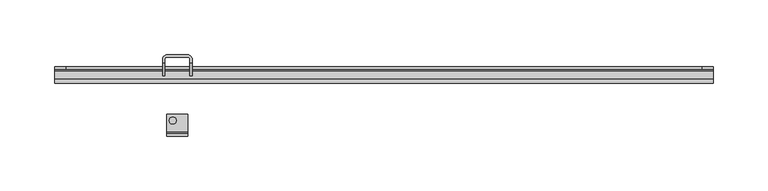
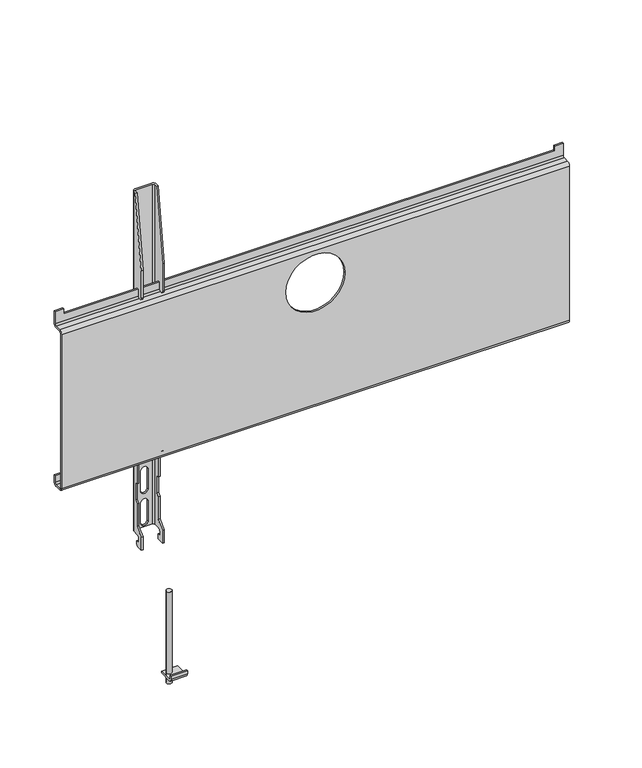
"""IFC4 building model written with IfcOpenShell, lengths in millimetres: furniture geometry."""

from ifc_helpers import new_model, si_unit, point, frame, frame_2d, origin, place, context, project, spatial, polyline, circle_curve, trimmed, segment, composite_curve, outline, extrude, source, transform, mapped, element, save
from ifc_brep_helpers import plane_surface, cylinder_surface, revolved_surface, advanced_brep


def furniture_b7e01955(model_context):
    return source(origin(), model_context, "Body", "SolidModel", [
        advanced_brep(
        [(-188.4240729, 32.963622, 1555.3157744), (-188.4240729, 29.9636247, 1555.3157744), (-186.424086, 29.9636247, 1555.3157744), (-186.424086, 32.9636356, 1555.3157744), (-190.424078, 36.9636277, 1555.3157744), (-209.424072, 36.9636277, 1555.3157744), (-213.4240731, 32.9636266, 1555.3157744), (-213.4240731, 29.9636247, 1555.3157744), (-211.4240862, 29.9636247, 1555.3157744), (-211.4240862, 32.9636266, 1555.3157744), (-209.4240856, 34.9636271, 1555.3157744), (-190.424078, 34.9636271, 1555.3157744), (-213.4240731, 17.9636269, 1117.0157835), (-213.4240731, 24.9636266, 1117.0157835), (-211.4240862, 24.9636266, 1117.0157835), (-211.4240862, 17.9636269, 1117.0157835), (-188.4240729, 17.9636269, 1117.0157835), (-188.4240729, 24.9636266, 1117.0157835), (-186.424086, 24.9636266, 1117.0157835), (-186.424086, 17.9636269, 1117.0157835), (-186.424086, 17.9636269, 1465.3158442), (-186.424086, 17.9636269, 1431.1657942), (-186.424086, 23.4636273, 1431.1657942), (-186.424086, 23.4636273, 1439.4157267), (-186.424086, 26.4636259, 1439.4157267), (-186.424086, 26.4636259, 1289.41577), (-186.424086, 17.9636269, 1274.6933966), (-186.424086, 17.9636269, 1233.165816), (-186.424086, 23.4636273, 1233.165816), (-186.424086, 23.4636273, 1241.4158211), (-186.424086, 26.4636259, 1241.4158211), (-186.424086, 26.4636259, 1194.9158251), (-186.424086, 29.4636267, 1194.9158251), (-186.424086, 29.4636267, 1172.8389023), (-186.424086, 26.4636259, 1169.4575663), (-186.424086, 26.4636259, 1141.4157636), (-186.424086, 17.9636269, 1132.9157634), (-186.424086, 26.9636272, 1119.0157841), (-186.424086, 26.9636272, 1123.0157807), (-186.424086, 22.963626, 1123.0157807), (-186.424086, 22.963626, 1127.5157967), (-186.424086, 26.9636726, 1131.5158432), (-186.424086, 32.9636356, 1131.5158432), (-188.4240729, 17.9636269, 1132.9157634), (-188.4240729, 17.9636269, 1465.3158442), (-188.4240729, 17.9636269, 1431.1657942), (-188.4240729, 17.9636269, 1274.6933966), (-188.4240729, 17.9636269, 1233.165816), (-188.4240729, 32.963622, 1131.5158432), (-188.4240729, 26.9636726, 1131.5158432), (-188.4240729, 22.963626, 1127.5157967), (-188.4240729, 22.963626, 1123.0157807), (-188.4240729, 26.9636272, 1123.0157807), (-188.4240729, 26.9636272, 1119.0157841), (-188.4240729, 26.4636259, 1141.4157636), (-188.4240729, 26.4636259, 1169.4575663), (-188.4240729, 29.4636267, 1172.8389023), (-188.4240729, 29.4636267, 1194.9158251), (-188.4240729, 26.4636259, 1194.9158251), (-188.4240729, 26.4636259, 1241.4158211), (-188.4240729, 23.4636273, 1241.4158211), (-188.4240729, 23.4636273, 1233.165816), (-188.4240729, 26.4636259, 1289.41577), (-188.4240729, 26.4636259, 1439.4157267), (-188.4240729, 23.4636273, 1439.4157267), (-188.4240729, 23.4636273, 1431.1657942), (-190.424078, 34.9636271, 1131.5158432), (-209.4240856, 34.9636271, 1131.5158432), (-195.6740846, 34.9636271, 1297.1157643), (-204.1740745, 34.9636271, 1297.1157643), (-204.1740745, 34.9636271, 1321.9157767), (-195.6740846, 34.9636271, 1321.9157767), (-195.6740846, 34.9636271, 1257.1158076), (-204.1740745, 34.9636271, 1257.1158076), (-204.1740745, 34.9636271, 1281.91582), (-195.6740846, 34.9636271, 1281.91582), (-195.6740846, 34.9636271, 1217.1157782), (-204.1740745, 34.9636271, 1217.1157782), (-204.1740745, 34.9636271, 1241.9157906), (-195.6740846, 34.9636271, 1241.9157906), (-195.6740846, 34.9636271, 1177.1157488), (-204.1740745, 34.9636271, 1177.1157488), (-204.1740745, 34.9636271, 1201.9157612), (-195.6740846, 34.9636271, 1201.9157612), (-195.6740846, 34.9636271, 1137.1157921), (-204.1740745, 34.9636271, 1137.1157921), (-204.1740745, 34.9636271, 1161.9158045), (-195.6740846, 34.9636271, 1161.9158045), (-211.4240862, 32.9636266, 1131.5158432), (-211.4240862, 17.9636269, 1465.3158442), (-211.4240862, 17.9636269, 1431.1657942), (-211.4240862, 23.4636273, 1431.1657942), (-211.4240862, 23.4636273, 1439.4157267), (-211.4240862, 26.4636259, 1439.4157267), (-211.4240862, 26.4636259, 1289.41577), (-211.4240862, 17.9636269, 1274.6933966), (-211.4240862, 17.9636269, 1233.165816), (-211.4240862, 23.4636273, 1233.165816), (-211.4240862, 23.4636273, 1241.4158211), (-211.4240862, 26.4636259, 1241.4158211), (-211.4240862, 26.4636259, 1194.9158251), (-211.4240862, 29.4636267, 1194.9158251), (-211.4240862, 29.4636267, 1172.8389023), (-211.4240862, 26.4636259, 1169.4575663), (-211.4240862, 26.4636259, 1141.4157636), (-211.4240862, 17.9636269, 1132.9157634), (-211.4240862, 26.9636272, 1119.0157841), (-211.4240862, 26.9636272, 1123.0157807), (-211.4240862, 22.963626, 1123.0157807), (-211.4240862, 22.963626, 1127.5157967), (-211.4240862, 26.9636726, 1131.5158432), (-213.4240731, 17.9636269, 1132.9157634), (-213.4240731, 17.9636269, 1465.3158442), (-213.4240731, 17.9636269, 1431.1657942), (-213.4240731, 17.9636269, 1274.6933966), (-213.4240731, 17.9636269, 1233.165816), (-213.4240731, 32.9636266, 1131.5158432), (-213.4240731, 26.9636726, 1131.5158432), (-213.4240731, 22.963626, 1127.5157967), (-213.4240731, 22.963626, 1123.0157807), (-213.4240731, 26.9636272, 1123.0157807), (-213.4240731, 26.9636272, 1119.0157841), (-213.4240731, 26.4636259, 1141.4157636), (-213.4240731, 26.4636259, 1169.4575663), (-213.4240731, 29.4636267, 1172.8389023), (-213.4240731, 29.4636267, 1194.9158251), (-213.4240731, 26.4636259, 1194.9158251), (-213.4240731, 26.4636259, 1241.4158211), (-213.4240731, 23.4636273, 1241.4158211), (-213.4240731, 23.4636273, 1233.165816), (-213.4240731, 26.4636259, 1289.41577), (-213.4240731, 26.4636259, 1439.4157267), (-213.4240731, 23.4636273, 1439.4157267), (-213.4240731, 23.4636273, 1431.1657942), (-209.424072, 36.9636277, 1131.5158432), (-190.424078, 36.9636277, 1131.5158432), (-195.6740846, 36.9636277, 1321.9157767), (-204.1740745, 36.9636277, 1321.9157767), (-204.1740745, 36.9636277, 1297.1157643), (-195.6740846, 36.9636277, 1297.1157643), (-195.6740846, 36.9636277, 1281.91582), (-204.1740745, 36.9636277, 1281.91582), (-204.1740745, 36.9636277, 1257.1158076), (-195.6740846, 36.9636277, 1257.1158076), (-195.6740846, 36.9636277, 1241.9157906), (-204.1740745, 36.9636277, 1241.9157906), (-204.1740745, 36.9636277, 1217.1157782), (-195.6740846, 36.9636277, 1217.1157782), (-195.6740846, 36.9636277, 1201.9157612), (-204.1740745, 36.9636277, 1201.9157612), (-204.1740745, 36.9636277, 1177.1157488), (-195.6740846, 36.9636277, 1177.1157488), (-195.6740846, 36.9636277, 1161.9158045), (-204.1740745, 36.9636277, 1161.9158045), (-204.1740745, 36.9636277, 1137.1157921), (-195.6740846, 36.9636277, 1137.1157921)],
        [
            (0, 1),
            (1, 2),
            (2, 3),
            (3, 4, circle_curve(frame((-190.424078, 32.9636356, 1555.3157744), z_axis=(0.0, 0.0, 1.0), x_axis=(1.0, 0.0, 0.0)), 3.999992)),
            (4, 5),
            (5, 6, circle_curve(frame((-209.424072, 32.9636266, 1555.3157744), z_axis=(0.0, 0.0, 1.0), x_axis=(1.0, 0.0, 0.0)), 4.0000011)),
            (6, 7),
            (7, 8),
            (8, 9),
            (9, 10, circle_curve(frame((-209.4240856, 32.9636266, 1555.3157744), z_axis=(0.0, 0.0, -1.0), x_axis=(1.0, 0.0, 0.0)), 2.0000006)),
            (10, 11),
            (11, 0, circle_curve(frame((-190.424078, 32.963622, 1555.3157744), z_axis=(0.0, 0.0, -1.0), x_axis=(1.0, 0.0, 0.0)), 2.0000051)),
            (12, 13),
            (13, 14),
            (14, 15),
            (15, 12),
            (16, 17),
            (17, 18),
            (18, 19),
            (19, 16),
            (2, 20),
            (20, 21),
            (21, 22, circle_curve(frame((-186.424086, 20.7136271, 1431.1657942), z_axis=(1.0, 0.0, 0.0), x_axis=(0.0, 1.0, 0.0)), 2.7500002)),
            (22, 23),
            (23, 24),
            (24, 25),
            (25, 26),
            (26, 27),
            (27, 28, circle_curve(frame((-186.424086, 20.7136271, 1233.165816), z_axis=(1.0, 0.0, 0.0), x_axis=(0.0, 1.0, 0.0)), 2.7500002)),
            (28, 29),
            (29, 30),
            (30, 31),
            (31, 32),
            (32, 33),
            (33, 34),
            (34, 35),
            (35, 36),
            (36, 19),
            (18, 37, circle_curve(frame((-186.424086, 24.9636266, 1119.0157841), z_axis=(1.0, 0.0, 0.0), x_axis=(0.0, 1.0, 0.0)), 2.0000006)),
            (37, 38),
            (38, 39),
            (39, 40),
            (40, 41, circle_curve(frame((-186.424086, 26.9636726, 1127.5157967), z_axis=(-1.0, 0.0, 0.0), x_axis=(0.0, 1.0, 0.0)), 4.0000465)),
            (41, 42),
            (42, 3),
            (36, 43),
            (43, 16),
            (20, 44),
            (44, 45),
            (45, 21),
            (26, 46),
            (46, 47),
            (47, 27),
            (0, 48),
            (48, 49),
            (49, 50, circle_curve(frame((-188.4240729, 26.9636726, 1127.5157967), z_axis=(1.0, 0.0, 0.0), x_axis=(0.0, 1.0, 0.0)), 4.0000465)),
            (50, 51),
            (51, 52),
            (52, 53),
            (53, 17, circle_curve(frame((-188.4240729, 24.9636266, 1119.0157841), z_axis=(-1.0, 0.0, 0.0), x_axis=(0.0, 1.0, 0.0)), 2.0000006)),
            (43, 54),
            (54, 55),
            (55, 56),
            (56, 57),
            (57, 58),
            (58, 59),
            (59, 60),
            (60, 61),
            (61, 47, circle_curve(frame((-188.4240729, 20.7136271, 1233.165816), z_axis=(-1.0, 0.0, 0.0), x_axis=(0.0, 1.0, 0.0)), 2.7500002)),
            (46, 62),
            (62, 63),
            (63, 64),
            (64, 65),
            (65, 45, circle_curve(frame((-188.4240729, 20.7136271, 1431.1657942), z_axis=(-1.0, 0.0, 0.0), x_axis=(0.0, 1.0, 0.0)), 2.7500002)),
            (44, 1),
            (11, 66),
            (66, 48, circle_curve(frame((-190.424078, 32.963622, 1131.5158432), z_axis=(0.0, 0.0, -1.0), x_axis=(1.0, 0.0, 0.0)), 2.0000051)),
            (10, 67),
            (67, 66),
            (68, 69, circle_curve(frame((-199.9240796, 34.9636271, 1297.1157643), z_axis=(0.0, 1.0, 0.0), x_axis=(1.0, 0.0, 0.0)), 4.2499949)),
            (69, 70),
            (70, 71, circle_curve(frame((-199.9240796, 34.9636271, 1321.9157767), z_axis=(0.0, 1.0, 0.0), x_axis=(1.0, 0.0, 0.0)), 4.2499949)),
            (71, 68),
            (72, 73, circle_curve(frame((-199.9240796, 34.9636271, 1257.1158076), z_axis=(0.0, 1.0, 0.0), x_axis=(1.0, 0.0, 0.0)), 4.2499949)),
            (73, 74),
            (74, 75, circle_curve(frame((-199.9240796, 34.9636271, 1281.91582), z_axis=(0.0, 1.0, 0.0), x_axis=(1.0, 0.0, 0.0)), 4.2499949)),
            (75, 72),
            (76, 77, circle_curve(frame((-199.9240796, 34.9636271, 1217.1157782), z_axis=(0.0, 1.0, 0.0), x_axis=(1.0, 0.0, 0.0)), 4.2499949)),
            (77, 78),
            (78, 79, circle_curve(frame((-199.9240796, 34.9636271, 1241.9157906), z_axis=(0.0, 1.0, 0.0), x_axis=(1.0, 0.0, 0.0)), 4.2499949)),
            (79, 76),
            (80, 81, circle_curve(frame((-199.9240796, 34.9636271, 1177.1157488), z_axis=(0.0, 1.0, 0.0), x_axis=(1.0, 0.0, 0.0)), 4.2499949)),
            (81, 82),
            (82, 83, circle_curve(frame((-199.9240796, 34.9636271, 1201.9157612), z_axis=(0.0, 1.0, 0.0), x_axis=(1.0, 0.0, 0.0)), 4.2499949)),
            (83, 80),
            (84, 85, circle_curve(frame((-199.9240796, 34.9636271, 1137.1157921), z_axis=(0.0, 1.0, 0.0), x_axis=(1.0, 0.0, 0.0)), 4.2499949)),
            (85, 86),
            (86, 87, circle_curve(frame((-199.9240796, 34.9636271, 1161.9158045), z_axis=(0.0, 1.0, 0.0), x_axis=(1.0, 0.0, 0.0)), 4.2499949)),
            (87, 84),
            (9, 88),
            (88, 67, circle_curve(frame((-209.4240856, 32.9636266, 1131.5158432), z_axis=(0.0, 0.0, -1.0), x_axis=(1.0, 0.0, 0.0)), 2.0000006)),
            (8, 89),
            (89, 90),
            (90, 91, circle_curve(frame((-211.4240862, 20.7136271, 1431.1657942), z_axis=(1.0, 0.0, 0.0), x_axis=(0.0, 1.0, 0.0)), 2.7500002)),
            (91, 92),
            (92, 93),
            (93, 94),
            (94, 95),
            (95, 96),
            (96, 97, circle_curve(frame((-211.4240862, 20.7136271, 1233.165816), z_axis=(1.0, 0.0, 0.0), x_axis=(0.0, 1.0, 0.0)), 2.7500002)),
            (97, 98),
            (98, 99),
            (99, 100),
            (100, 101),
            (101, 102),
            (102, 103),
            (103, 104),
            (104, 105),
            (105, 15),
            (14, 106, circle_curve(frame((-211.4240862, 24.9636266, 1119.0157841), z_axis=(1.0, 0.0, 0.0), x_axis=(0.0, 1.0, 0.0)), 2.0000006)),
            (106, 107),
            (107, 108),
            (108, 109),
            (109, 110, circle_curve(frame((-211.4240862, 26.9636726, 1127.5157967), z_axis=(-1.0, 0.0, 0.0), x_axis=(0.0, 1.0, 0.0)), 4.0000465)),
            (110, 88),
            (105, 111),
            (111, 12),
            (89, 112),
            (112, 113),
            (113, 90),
            (95, 114),
            (114, 115),
            (115, 96),
            (6, 116),
            (116, 117),
            (117, 118, circle_curve(frame((-213.4240731, 26.9636726, 1127.5157967), z_axis=(1.0, 0.0, 0.0), x_axis=(0.0, 1.0, 0.0)), 4.0000465)),
            (118, 119),
            (119, 120),
            (120, 121),
            (121, 13, circle_curve(frame((-213.4240731, 24.9636266, 1119.0157841), z_axis=(-1.0, 0.0, 0.0), x_axis=(0.0, 1.0, 0.0)), 2.0000006)),
            (111, 122),
            (122, 123),
            (123, 124),
            (124, 125),
            (125, 126),
            (126, 127),
            (127, 128),
            (128, 129),
            (129, 115, circle_curve(frame((-213.4240731, 20.7136271, 1233.165816), z_axis=(-1.0, 0.0, 0.0), x_axis=(0.0, 1.0, 0.0)), 2.7500002)),
            (114, 130),
            (130, 131),
            (131, 132),
            (132, 133),
            (133, 113, circle_curve(frame((-213.4240731, 20.7136271, 1431.1657942), z_axis=(-1.0, 0.0, 0.0), x_axis=(0.0, 1.0, 0.0)), 2.7500002)),
            (112, 7),
            (5, 134),
            (134, 116, circle_curve(frame((-209.424072, 32.9636266, 1131.5158432), z_axis=(0.0, 0.0, 1.0), x_axis=(1.0, 0.0, 0.0)), 4.0000011)),
            (4, 135),
            (135, 134),
            (136, 137, circle_curve(frame((-199.9240796, 36.9636277, 1321.9157767), z_axis=(0.0, -1.0, 0.0), x_axis=(1.0, 0.0, 0.0)), 4.2499949)),
            (137, 138),
            (138, 139, circle_curve(frame((-199.9240796, 36.9636277, 1297.1157643), z_axis=(0.0, -1.0, 0.0), x_axis=(1.0, 0.0, 0.0)), 4.2499949)),
            (139, 136),
            (140, 141, circle_curve(frame((-199.9240796, 36.9636277, 1281.91582), z_axis=(0.0, -1.0, 0.0), x_axis=(1.0, 0.0, 0.0)), 4.2499949)),
            (141, 142),
            (142, 143, circle_curve(frame((-199.9240796, 36.9636277, 1257.1158076), z_axis=(0.0, -1.0, 0.0), x_axis=(1.0, 0.0, 0.0)), 4.2499949)),
            (143, 140),
            (144, 145, circle_curve(frame((-199.9240796, 36.9636277, 1241.9157906), z_axis=(0.0, -1.0, 0.0), x_axis=(1.0, 0.0, 0.0)), 4.2499949)),
            (145, 146),
            (146, 147, circle_curve(frame((-199.9240796, 36.9636277, 1217.1157782), z_axis=(0.0, -1.0, 0.0), x_axis=(1.0, 0.0, 0.0)), 4.2499949)),
            (147, 144),
            (148, 149, circle_curve(frame((-199.9240796, 36.9636277, 1201.9157612), z_axis=(0.0, -1.0, 0.0), x_axis=(1.0, 0.0, 0.0)), 4.2499949)),
            (149, 150),
            (150, 151, circle_curve(frame((-199.9240796, 36.9636277, 1177.1157488), z_axis=(0.0, -1.0, 0.0), x_axis=(1.0, 0.0, 0.0)), 4.2499949)),
            (151, 148),
            (152, 153, circle_curve(frame((-199.9240796, 36.9636277, 1161.9158045), z_axis=(0.0, -1.0, 0.0), x_axis=(1.0, 0.0, 0.0)), 4.2499949)),
            (153, 154),
            (154, 155, circle_curve(frame((-199.9240796, 36.9636277, 1137.1157921), z_axis=(0.0, -1.0, 0.0), x_axis=(1.0, 0.0, 0.0)), 4.2499949)),
            (155, 152),
            (42, 135, circle_curve(frame((-190.424078, 32.9636356, 1131.5158432), z_axis=(0.0, 0.0, 1.0), x_axis=(1.0, 0.0, 0.0)), 3.999992)),
            (62, 25),
            (24, 63),
            (130, 94),
            (93, 131),
            (65, 22),
            (133, 91),
            (64, 23),
            (132, 92),
            (58, 31),
            (30, 59),
            (126, 100),
            (99, 127),
            (57, 32),
            (125, 101),
            (56, 33),
            (124, 102),
            (55, 34),
            (123, 103),
            (54, 35),
            (122, 104),
            (61, 28),
            (129, 97),
            (60, 29),
            (128, 98),
            (110, 117),
            (41, 49),
            (53, 37),
            (121, 106),
            (52, 38),
            (120, 107),
            (51, 39),
            (119, 108),
            (50, 40),
            (118, 109),
            (71, 136),
            (139, 68),
            (70, 137),
            (69, 138),
            (75, 140),
            (143, 72),
            (74, 141),
            (73, 142),
            (79, 144),
            (147, 76),
            (78, 145),
            (77, 146),
            (83, 148),
            (151, 80),
            (82, 149),
            (81, 150),
            (87, 152),
            (155, 84),
            (86, 153),
            (85, 154),
        ],
        [
            plane_surface(frame((-186.424086, 18.1390681, 1555.3157744), z_axis=(0.0, 0.0, 1.0), x_axis=(0.0, -1.0, 0.0))),
            plane_surface(frame((-186.424086, 18.1390681, 1117.0157835), z_axis=(0.0, 0.0, -1.0), x_axis=(0.0, 1.0, 0.0))),
            plane_surface(frame((-186.424086, 32.9636356, 1555.3157744), z_axis=(1.0, 0.0, 0.0), x_axis=(0.0, 0.0, -1.0))),
            plane_surface(frame((-186.424086, 17.9636269, 1555.3157744), z_axis=(0.0, -1.0, 0.0), x_axis=(0.0, 0.0, -1.0))),
            plane_surface(frame((-188.4240729, 17.9636269, 1555.3157744), z_axis=(-1.0, 0.0, 0.0), x_axis=(0.0, 0.0, -1.0))),
            revolved_surface(polyline([(-188.4240729, 32.963622, 1131.5158432), (-188.4240729, 32.963622, 1555.3157744)]), (-190.424078, 32.963622, 1117.0157835), (0.0, 0.0, -1.0)),
            plane_surface(frame((-190.424078, 34.9636271, 1555.3157744), z_axis=(0.0, -1.0, 0.0), x_axis=(0.0, 0.0, -1.0))),
            revolved_surface(polyline([(-207.42408500000002, 32.9636266, 1131.5158432), (-207.42408500000002, 32.9636266, 1555.3157744)]), (-209.4240856, 32.9636266, 1117.0157835), (0.0, 0.0, -1.0)),
            plane_surface(frame((-211.4240862, 32.9636266, 1555.3157744), z_axis=(1.0, 0.0, 0.0), x_axis=(0.0, 0.0, -1.0))),
            plane_surface(frame((-211.4240862, 17.9636269, 1555.3157744), z_axis=(0.0, -1.0, 0.0), x_axis=(0.0, 0.0, -1.0))),
            plane_surface(frame((-213.4240731, 17.9636269, 1555.3157744), z_axis=(-1.0, 0.0, 0.0), x_axis=(0.0, 0.0, -1.0))),
            cylinder_surface(frame((-209.424072, 32.9636266, 1117.0157835), z_axis=(0.0, 0.0, 1.0), x_axis=(1.0, 0.0, 0.0)), 4.0000011),
            plane_surface(frame((-209.424072, 36.9636277, 1555.3157744), z_axis=(0.0, 1.0, 0.0), x_axis=(0.0, 0.0, -1.0))),
            cylinder_surface(frame((-190.424078, 32.9636356, 1117.0157835), z_axis=(0.0, 0.0, 1.0), x_axis=(1.0, 0.0, 0.0)), 3.999992),
            plane_surface(frame((226.6458366, 29.9636247, 1555.3157744), z_axis=(0.0, -0.9912278903845622, 0.13216379732653882), x_axis=(-1.0, 0.0, 0.0))),
            plane_surface(frame((226.6458366, 26.4636259, 1439.4157267), z_axis=(0.0, -1.0, 0.0), x_axis=(-1.0, 0.0, 0.0))),
            plane_surface(frame((226.6458366, 26.4636259, 1289.41577), z_axis=(0.0, -0.8660245695453659, 0.5000014449416761), x_axis=(-1.0, 0.0, 0.0))),
            cylinder_surface(frame((0.0, 20.7136271, 1431.1657942), z_axis=(-1.0, 0.0, 0.0), x_axis=(0.0, 1.0, 0.0)), 2.7500002),
            plane_surface(frame((226.6458366, 23.4636273, 1431.1657942), z_axis=(0.0, 1.0, 0.0), x_axis=(-1.0, 0.0, 0.0))),
            plane_surface(frame((226.6458366, 23.4636273, 1439.4157267), z_axis=(0.0, 0.0, -1.0), x_axis=(-1.0, 0.0, 0.0))),
            plane_surface(frame((226.6458366, 26.4636259, 1241.4158211), z_axis=(0.0, -1.0, 0.0), x_axis=(-1.0, 0.0, 0.0))),
            plane_surface(frame((226.6458366, 26.4636259, 1194.9158251), z_axis=(0.0, 0.0, -1.0), x_axis=(-1.0, 0.0, 0.0))),
            plane_surface(frame((226.6458366, 29.4636267, 1194.9158251), z_axis=(0.0, -1.0, 0.0), x_axis=(-1.0, 0.0, 0.0))),
            plane_surface(frame((226.6458366, 29.4636267, 1172.8389023), z_axis=(0.0, -0.7480275709207617, 0.6636676526262109), x_axis=(-1.0, 0.0, 0.0))),
            plane_surface(frame((226.6458366, 26.4636259, 1169.4575663), z_axis=(0.0, -1.0, 0.0), x_axis=(-1.0, 0.0, 0.0))),
            plane_surface(frame((226.6458366, 26.4636259, 1141.4157636), z_axis=(0.0, -0.7071068328679035, 0.7071067295051878), x_axis=(-1.0, 0.0, 0.0))),
            cylinder_surface(frame((0.0, 20.7136271, 1233.165816), z_axis=(-1.0, 0.0, 0.0), x_axis=(0.0, 1.0, 0.0)), 2.7500002),
            plane_surface(frame((226.6458366, 23.4636273, 1233.165816), z_axis=(0.0, 1.0, 0.0), x_axis=(-1.0, 0.0, 0.0))),
            plane_surface(frame((226.6458366, 23.4636273, 1241.4158211), z_axis=(0.0, 0.0, -1.0), x_axis=(-1.0, 0.0, 0.0))),
            plane_surface(frame((226.6458366, 26.9636726, 1131.5158432), z_axis=(0.0, 0.0, -1.0), x_axis=(-1.0, 0.0, 0.0))),
            cylinder_surface(frame((0.0, 24.9636266, 1119.0157841), z_axis=(-1.0, 0.0, 0.0), x_axis=(0.0, 1.0, 0.0)), 2.0000006),
            plane_surface(frame((226.6458366, 26.9636272, 1119.0157841), z_axis=(0.0, 1.0, 0.0), x_axis=(-1.0, 0.0, 0.0))),
            plane_surface(frame((226.6458366, 26.9636272, 1123.0157807), z_axis=(0.0, 0.0, 1.0), x_axis=(-1.0, 0.0, 0.0))),
            plane_surface(frame((226.6458366, 22.963626, 1123.0157807), z_axis=(0.0, 1.0, 0.0), x_axis=(-1.0, 0.0, 0.0))),
            revolved_surface(polyline([(-186.424086, 30.9637191, 1127.5157967), (-188.4240729, 30.9637191, 1127.5157967)]), (0.0, 26.9636726, 1127.5157967), (1.0, 0.0, 0.0)),
            revolved_surface(polyline([(-211.4240862, 30.9637191, 1127.5157967), (-213.4240731, 30.9637191, 1127.5157967)]), (0.0, 26.9636726, 1127.5157967), (1.0, 0.0, 0.0)),
            plane_surface(frame((-195.6740846, 43.4479611, 1297.1157643), z_axis=(-1.0, 0.0, 0.0), x_axis=(0.0, -1.0, 0.0))),
            revolved_surface(polyline([(-195.6740847, 36.9636277, 1321.9157767), (-195.6740847, 34.9636271, 1321.9157767)]), (-199.9240796, 32.0423365, 1321.9157767), (0.0, 1.0, 0.0)),
            plane_surface(frame((-204.1740745, 43.4479611, 1321.9157767), z_axis=(1.0, 0.0, 0.0), x_axis=(0.0, -1.0, 0.0))),
            revolved_surface(polyline([(-195.6740847, 36.9636277, 1297.1157643), (-195.6740847, 34.9636271, 1297.1157643)]), (-199.9240796, 32.0423365, 1297.1157643), (0.0, 1.0, 0.0)),
            plane_surface(frame((-195.6740846, 43.4479611, 1257.1158076), z_axis=(-1.0, 0.0, 0.0), x_axis=(0.0, -1.0, 0.0))),
            revolved_surface(polyline([(-195.6740847, 36.9636277, 1281.91582), (-195.6740847, 34.9636271, 1281.91582)]), (-199.9240796, 0.0, 1281.91582), (0.0, 1.0, 0.0)),
            plane_surface(frame((-204.1740745, 43.4479611, 1281.91582), z_axis=(1.0, 0.0, 0.0), x_axis=(0.0, -1.0, 0.0))),
            revolved_surface(polyline([(-195.6740847, 36.9636277, 1257.1158076), (-195.6740847, 34.9636271, 1257.1158076)]), (-199.9240796, 0.0, 1257.1158076), (0.0, 1.0, 0.0)),
            plane_surface(frame((-195.6740846, 43.4479611, 1217.1157782), z_axis=(-1.0, 0.0, 0.0), x_axis=(0.0, -1.0, 0.0))),
            revolved_surface(polyline([(-195.6740847, 36.9636277, 1241.9157906), (-195.6740847, 34.9636271, 1241.9157906)]), (-199.9240796, 0.0, 1241.9157906), (0.0, 1.0, 0.0)),
            plane_surface(frame((-204.1740745, 43.4479611, 1241.9157906), z_axis=(1.0, 0.0, 0.0), x_axis=(0.0, -1.0, 0.0))),
            revolved_surface(polyline([(-195.6740847, 36.9636277, 1217.1157782), (-195.6740847, 34.9636271, 1217.1157782)]), (-199.9240796, 0.0, 1217.1157782), (0.0, 1.0, 0.0)),
            plane_surface(frame((-195.6740846, 43.4479611, 1177.1157488), z_axis=(-1.0, 0.0, 0.0), x_axis=(0.0, -1.0, 0.0))),
            revolved_surface(polyline([(-195.6740847, 36.9636277, 1201.9157612), (-195.6740847, 34.9636271, 1201.9157612)]), (-199.9240796, 0.0, 1201.9157612), (0.0, 1.0, 0.0)),
            plane_surface(frame((-204.1740745, 43.4479611, 1201.9157612), z_axis=(1.0, 0.0, 0.0), x_axis=(0.0, -1.0, 0.0))),
            revolved_surface(polyline([(-195.6740847, 36.9636277, 1177.1157488), (-195.6740847, 34.9636271, 1177.1157488)]), (-199.9240796, 0.0, 1177.1157488), (0.0, 1.0, 0.0)),
            plane_surface(frame((-195.6740846, 43.4479611, 1137.1157921), z_axis=(-1.0, 0.0, 0.0), x_axis=(0.0, -1.0, 0.0))),
            revolved_surface(polyline([(-195.6740847, 36.9636277, 1161.9158045), (-195.6740847, 34.9636271, 1161.9158045)]), (-199.9240796, 0.0, 1161.9158045), (0.0, 1.0, 0.0)),
            plane_surface(frame((-204.1740745, 43.4479611, 1161.9158045), z_axis=(1.0, 0.0, 0.0), x_axis=(0.0, -1.0, 0.0))),
            revolved_surface(polyline([(-195.6740847, 36.9636277, 1137.1157921), (-195.6740847, 34.9636271, 1137.1157921)]), (-199.9240796, 0.0, 1137.1157921), (0.0, 1.0, 0.0)),
        ],
        [
            (0, [[1, 2, 3, 4, 5, 6, 7, 8, 9, 10, 11, 12]]),
            (1, [[13, 14, 15, 16]]),
            (1, [[17, 18, 19, 20]]),
            (2, [[21, 22, 23, 24, 25, 26, 27, 28, 29, 30, 31, 32, 33, 34, 35, 36, 37, 38, -19, 39, 40, 41, 42, 43, 44, 45, -3]]),
            (3, [[-38, 46, 47, -20]]),
            (3, [[48, 49, 50, -22]]),
            (3, [[51, 52, 53, -28]]),
            (4, [[54, 55, 56, 57, 58, 59, 60, -17, -47, 61, 62, 63, 64, 65, 66, 67, 68, 69, -52, 70, 71, 72, 73, 74, -49, 75, -1]]),
            (5, [[76, 77, -54, -12]]),
            (6, [[78, 79, -76, -11], [80, 81, 82, 83], [84, 85, 86, 87], [88, 89, 90, 91], [92, 93, 94, 95], [96, 97, 98, 99]]),
            (7, [[100, 101, -78, -10]]),
            (8, [[102, 103, 104, 105, 106, 107, 108, 109, 110, 111, 112, 113, 114, 115, 116, 117, 118, 119, -15, 120, 121, 122, 123, 124, 125, -100, -9]]),
            (9, [[-119, 126, 127, -16]]),
            (9, [[128, 129, 130, -103]]),
            (9, [[131, 132, 133, -109]]),
            (10, [[134, 135, 136, 137, 138, 139, 140, -13, -127, 141, 142, 143, 144, 145, 146, 147, 148, 149, -132, 150, 151, 152, 153, 154, -129, 155, -7]]),
            (11, [[156, 157, -134, -6]]),
            (12, [[158, 159, -156, -5], [160, 161, 162, 163], [164, 165, 166, 167], [168, 169, 170, 171], [172, 173, 174, 175], [176, 177, 178, 179]]),
            (13, [[-45, 180, -158, -4]]),
            (14, [[-75, -48, -21, -2]]),
            (14, [[-155, -128, -102, -8]]),
            (15, [[-71, 181, -26, 182]]),
            (15, [[-151, 183, -107, 184]]),
            (16, [[-70, -51, -27, -181]]),
            (16, [[-150, -131, -108, -183]]),
            (17, [[-23, -50, -74, 185]]),
            (17, [[-104, -130, -154, 186]]),
            (18, [[-73, 187, -24, -185]]),
            (18, [[-153, 188, -105, -186]]),
            (19, [[-25, -187, -72, -182]]),
            (19, [[-106, -188, -152, -184]]),
            (20, [[-66, 189, -32, 190]]),
            (20, [[-146, 191, -113, 192]]),
            (21, [[-65, 193, -33, -189]]),
            (21, [[-145, 194, -114, -191]]),
            (22, [[-64, 195, -34, -193]]),
            (22, [[-144, 196, -115, -194]]),
            (23, [[-63, 197, -35, -195]]),
            (23, [[-143, 198, -116, -196]]),
            (24, [[-62, 199, -36, -197]]),
            (24, [[-142, 200, -117, -198]]),
            (25, [[-61, -46, -37, -199]]),
            (25, [[-141, -126, -118, -200]]),
            (26, [[-29, -53, -69, 201]]),
            (26, [[-110, -133, -149, 202]]),
            (27, [[-68, 203, -30, -201]]),
            (27, [[-148, 204, -111, -202]]),
            (28, [[-31, -203, -67, -190]]),
            (28, [[-112, -204, -147, -192]]),
            (29, [[-55, -77, -79, -101, -125, 205, -135, -157, -159, -180, -44, 206]]),
            (30, [[-39, -18, -60, 207]]),
            (30, [[-120, -14, -140, 208]]),
            (31, [[-59, 209, -40, -207]]),
            (31, [[-139, 210, -121, -208]]),
            (32, [[-58, 211, -41, -209]]),
            (32, [[-138, 212, -122, -210]]),
            (33, [[-57, 213, -42, -211]]),
            (33, [[-137, 214, -123, -212]]),
            (34, [[-43, -213, -56, -206]]),
            (35, [[-124, -214, -136, -205]]),
            (36, [[-83, 215, -163, 216]]),
            (37, [[-82, 217, -160, -215]]),
            (38, [[-81, 218, -161, -217]]),
            (39, [[-162, -218, -80, -216]]),
            (40, [[-87, 219, -167, 220]]),
            (41, [[-86, 221, -164, -219]]),
            (42, [[-85, 222, -165, -221]]),
            (43, [[-166, -222, -84, -220]]),
            (44, [[-91, 223, -171, 224]]),
            (45, [[-90, 225, -168, -223]]),
            (46, [[-89, 226, -169, -225]]),
            (47, [[-170, -226, -88, -224]]),
            (48, [[-95, 227, -175, 228]]),
            (49, [[-94, 229, -172, -227]]),
            (50, [[-93, 230, -173, -229]]),
            (51, [[-174, -230, -92, -228]]),
            (52, [[-99, 231, -179, 232]]),
            (53, [[-98, 233, -176, -231]]),
            (54, [[-97, 234, -177, -233]]),
            (55, [[-178, -234, -96, -232]]),
        ],
    ),
        advanced_brep(
        [(288.4141906, 25.9636269, 1430.4157946), (288.4141906, 25.9636269, 1445.4157965), (288.4141906, 23.9636263, 1445.4157965), (288.4141906, 23.9636263, 1430.4158173), (288.4141906, 21.9636258, 1428.4158167), (288.4141906, 14.9636726, 1428.4158167), (288.4141906, 10.9636261, 1424.4157702), (288.4141906, 10.9636261, 1232.4157891), (288.4141906, 14.9436578, 1228.4158152), (288.4141906, 21.9636258, 1228.4158152), (288.4141906, 25.9635769, 1232.4157664), (288.4141906, 25.9636269, 1240.4158095), (288.4141906, 23.9636263, 1240.4158095), (288.4141906, 23.9636263, 1232.4157664), (288.4141906, 21.9636258, 1230.4157658), (288.4141906, 14.9636499, 1230.4157658), (288.4141906, 12.9636266, 1232.4157891), (288.4141906, 12.9636266, 1424.4157702), (288.4141906, 14.9636499, 1426.4157934), (288.4141906, 21.9636258, 1426.4157934), (-311.585814, 25.9636269, 1430.4157946), (-311.585814, 21.9636258, 1426.4157934), (-311.585814, 14.9636499, 1426.4157934), (-311.585814, 12.9636266, 1424.4157702), (-311.585814, 12.9636266, 1232.4157891), (-311.585814, 14.9636499, 1230.4157658), (-311.585814, 21.9636258, 1230.4157658), (-311.585814, 23.9636263, 1232.4157664), (-311.585814, 23.9636263, 1240.4158095), (-311.585814, 25.9636269, 1240.4158095), (-311.585814, 25.9636269, 1232.4157891), (-311.585814, 21.9636258, 1228.4158152), (-311.585814, 14.9436578, 1228.4158152), (-311.585814, 10.9636261, 1232.4157891), (-311.585814, 10.9636261, 1424.4157702), (-311.585814, 14.9636726, 1428.4158167), (-311.585814, 21.9636258, 1428.4158167), (-311.585814, 23.9636263, 1430.4158173), (-311.585814, 23.9636263, 1445.4157965), (-311.585814, 25.9636269, 1445.4157965), (23.4141561, 12.9636266, 1384.4157408), (-46.5857863, 12.9636266, 1384.4157408), (-46.5857863, 10.9636261, 1384.4157408), (23.4141561, 10.9636261, 1384.4157408), (278.4141832, 23.9636263, 1445.4157965), (278.4141832, 23.9636263, 1439.4157267), (-301.5858067, 23.9636263, 1439.4157267), (-301.5858067, 23.9636263, 1445.4157965), (-301.5858067, 25.9636269, 1445.4157965), (278.4141832, 25.9636269, 1445.4157965), (-301.5858067, 25.9636269, 1439.4157267), (278.4141832, 25.9636269, 1439.4157267)],
        [
            (0, 1),
            (1, 2),
            (2, 3),
            (3, 4, circle_curve(frame((288.4141906, 21.9636258, 1430.4158173), z_axis=(-1.0, 0.0, 0.0), x_axis=(0.0, 1.0, 0.0)), 2.0000006)),
            (4, 5),
            (5, 6, circle_curve(frame((288.4141906, 14.9636726, 1424.4157702), z_axis=(1.0, 0.0, 0.0), x_axis=(0.0, 1.0, 0.0)), 4.0000465)),
            (6, 7),
            (7, 8, circle_curve(frame((288.4141906, 14.9636499, 1232.4157891), z_axis=(1.0, 0.0, 0.0), x_axis=(0.0, 1.0, 0.0)), 4.0000238)),
            (8, 9),
            (9, 10, circle_curve(frame((288.4141906, 21.9636258, 1232.4157664), z_axis=(1.0, 0.0, 0.0), x_axis=(0.0, 1.0, 0.0)), 3.9999512)),
            (10, 11),
            (11, 12),
            (12, 13),
            (13, 14, circle_curve(frame((288.4141906, 21.9636258, 1232.4157664), z_axis=(-1.0, 0.0, 0.0), x_axis=(0.0, 1.0, 0.0)), 2.0000006)),
            (14, 15),
            (15, 16, circle_curve(frame((288.4141906, 14.9636499, 1232.4157891), z_axis=(-1.0, 0.0, 0.0), x_axis=(0.0, 1.0, 0.0)), 2.0000233)),
            (16, 17),
            (17, 18, circle_curve(frame((288.4141906, 14.9636499, 1424.4157702), z_axis=(-1.0, 0.0, 0.0), x_axis=(0.0, 1.0, 0.0)), 2.0000233)),
            (18, 19),
            (19, 0, circle_curve(frame((288.4141906, 21.9636258, 1430.4157946), z_axis=(1.0, 0.0, 0.0), x_axis=(0.0, 1.0, 0.0)), 4.0000011)),
            (20, 21, circle_curve(frame((-311.585814, 21.9636258, 1430.4157946), z_axis=(-1.0, 0.0, 0.0), x_axis=(0.0, 1.0, 0.0)), 4.0000011)),
            (21, 22),
            (22, 23, circle_curve(frame((-311.585814, 14.9636499, 1424.4157702), z_axis=(1.0, 0.0, 0.0), x_axis=(0.0, 1.0, 0.0)), 2.0000233)),
            (23, 24),
            (24, 25, circle_curve(frame((-311.585814, 14.9636499, 1232.4157891), z_axis=(1.0, 0.0, 0.0), x_axis=(0.0, 1.0, 0.0)), 2.0000233)),
            (25, 26),
            (26, 27, circle_curve(frame((-311.585814, 21.9636258, 1232.4157664), z_axis=(1.0, 0.0, 0.0), x_axis=(0.0, 1.0, 0.0)), 2.0000006)),
            (27, 28),
            (28, 29),
            (29, 30),
            (30, 31, circle_curve(frame((-311.585814, 21.9636258, 1232.4157664), z_axis=(-1.0, 0.0, 0.0), x_axis=(0.0, 1.0, 0.0)), 3.9999512)),
            (31, 32),
            (32, 33, circle_curve(frame((-311.585814, 14.9636499, 1232.4157891), z_axis=(-1.0, 0.0, 0.0), x_axis=(0.0, 1.0, 0.0)), 4.0000238)),
            (33, 34),
            (34, 35, circle_curve(frame((-311.585814, 14.9636726, 1424.4157702), z_axis=(-1.0, 0.0, 0.0), x_axis=(0.0, 1.0, 0.0)), 4.0000465)),
            (35, 36),
            (36, 37, circle_curve(frame((-311.585814, 21.9636258, 1430.4158173), z_axis=(1.0, 0.0, 0.0), x_axis=(0.0, 1.0, 0.0)), 2.0000006)),
            (37, 38),
            (38, 39),
            (39, 20),
            (19, 21),
            (20, 0),
            (18, 22),
            (17, 23),
            (16, 24),
            (40, 41, circle_curve(frame((-11.5858151, 12.9636266, 1384.4157408), z_axis=(0.0, -1.0, 0.0), x_axis=(1.0, 0.0, 0.0)), 34.9999712)),
            (41, 40, circle_curve(frame((-11.5858151, 12.9636266, 1384.4157408), z_axis=(0.0, -1.0, 0.0), x_axis=(1.0, 0.0, 0.0)), 34.9999712)),
            (15, 25),
            (14, 26),
            (13, 27),
            (12, 28),
            (11, 29),
            (10, 30),
            (9, 31),
            (8, 32),
            (7, 33),
            (6, 34),
            (42, 43, circle_curve(frame((-11.5858151, 10.9636261, 1384.4157408), z_axis=(0.0, 1.0, 0.0), x_axis=(1.0, 0.0, 0.0)), 34.9999712)),
            (43, 42, circle_curve(frame((-11.5858151, 10.9636261, 1384.4157408), z_axis=(0.0, 1.0, 0.0), x_axis=(1.0, 0.0, 0.0)), 34.9999712)),
            (5, 35),
            (4, 36),
            (3, 37),
            (2, 44),
            (44, 45),
            (45, 46),
            (46, 47),
            (47, 38),
            (47, 48),
            (48, 39),
            (1, 49),
            (49, 44),
            (48, 50),
            (50, 51),
            (51, 49),
            (43, 40),
            (41, 42),
            (46, 50),
            (45, 51),
        ],
        [
            plane_surface(frame((288.4141906, 25.9636269, 1430.4157946), z_axis=(1.0, 0.0, 0.0), x_axis=(0.0, 0.0, -1.0))),
            plane_surface(frame((-311.585814, 25.9636269, 1430.4157946), z_axis=(-1.0, 0.0, 0.0), x_axis=(0.0, 0.0, 1.0))),
            cylinder_surface(frame((-311.585814, 21.9636258, 1430.4157946), z_axis=(1.0, 0.0, 0.0), x_axis=(0.0, 1.0, 0.0)), 4.0000011),
            plane_surface(frame((288.4141906, 21.9636258, 1426.4157934), z_axis=(0.0, 0.0, -1.0), x_axis=(-1.0, 0.0, 0.0))),
            revolved_surface(polyline([(-311.585814, 16.9636732, 1424.4157702), (288.4141906, 16.9636732, 1424.4157702)]), (-311.585814, 14.9636499, 1424.4157702), (-1.0, 0.0, 0.0)),
            plane_surface(frame((288.4141906, 12.9636266, 1424.4157702), z_axis=(0.0, 1.0, 0.0), x_axis=(-1.0, 0.0, 0.0))),
            revolved_surface(polyline([(-311.585814, 16.9636732, 1232.4157891), (288.4141906, 16.9636732, 1232.4157891)]), (-311.585814, 14.9636499, 1232.4157891), (-1.0, 0.0, 0.0)),
            plane_surface(frame((288.4141906, 14.9636499, 1230.4157658), z_axis=(0.0, 0.0, 1.0), x_axis=(-1.0, 0.0, 0.0))),
            revolved_surface(polyline([(-311.585814, 23.9636264, 1232.4157664), (288.4141906, 23.9636264, 1232.4157664)]), (-311.585814, 21.9636258, 1232.4157664), (-1.0, 0.0, 0.0)),
            plane_surface(frame((288.4141906, 23.9636263, 1232.4157664), z_axis=(0.0, -1.0, 0.0), x_axis=(-1.0, 0.0, 0.0))),
            plane_surface(frame((288.4141906, 23.9636263, 1240.4158095), z_axis=(0.0, 0.0, 1.0), x_axis=(-1.0, 0.0, 0.0))),
            plane_surface(frame((288.4141906, 25.9636269, 1240.4158095), z_axis=(0.0, 1.0, 0.0), x_axis=(-1.0, 0.0, 0.0))),
            cylinder_surface(frame((-311.585814, 21.9636258, 1232.4157664), z_axis=(1.0, 0.0, 0.0), x_axis=(0.0, 1.0, 0.0)), 3.9999512),
            plane_surface(frame((288.4141906, 21.9636258, 1228.4158152), z_axis=(0.0, 0.0, -1.0), x_axis=(-1.0, 0.0, 0.0))),
            cylinder_surface(frame((-311.585814, 14.9636499, 1232.4157891), z_axis=(1.0, 0.0, 0.0), x_axis=(0.0, 1.0, 0.0)), 4.0000238),
            plane_surface(frame((288.4141906, 10.9636261, 1232.4157891), z_axis=(0.0, -1.0, 0.0), x_axis=(-1.0, 0.0, 0.0))),
            cylinder_surface(frame((-311.585814, 14.9636726, 1424.4157702), z_axis=(1.0, 0.0, 0.0), x_axis=(0.0, 1.0, 0.0)), 4.0000465),
            plane_surface(frame((288.4141906, 14.9636726, 1428.4158167), z_axis=(0.0, 0.0, 1.0), x_axis=(-1.0, 0.0, 0.0))),
            revolved_surface(polyline([(-311.585814, 23.9636264, 1430.4158173), (288.4141906, 23.9636264, 1430.4158173)]), (-311.585814, 21.9636258, 1430.4158173), (-1.0, 0.0, 0.0)),
            plane_surface(frame((288.4141906, 23.9636263, 1430.4158173), z_axis=(0.0, -1.0, 0.0), x_axis=(-1.0, 0.0, 0.0))),
            plane_surface(frame((288.4141906, 23.9636263, 1445.4157965), z_axis=(0.0, 0.0, 1.0), x_axis=(-1.0, 0.0, 0.0))),
            plane_surface(frame((288.4141906, 25.9636269, 1445.4157965), z_axis=(0.0, 1.0, 0.0), x_axis=(-1.0, 0.0, 0.0))),
            revolved_surface(polyline([(23.4141561, 12.963626600000001, 1384.4157408), (23.4141561, 10.963626100000003, 1384.4157408)]), (-11.5858151, -19.1363139, 1384.4157408), (0.0, 1.0, 0.0)),
            plane_surface(frame((-301.5858067, 28.110414, 1445.4157965), z_axis=(1.0, 0.0, 0.0), x_axis=(0.0, -1.0, 0.0))),
            plane_surface(frame((-301.5858067, 28.110414, 1439.4157267), z_axis=(0.0, 0.0, 1.0), x_axis=(0.0, -1.0, 0.0))),
            plane_surface(frame((278.4141832, 28.110414, 1439.4157267), z_axis=(-1.0, 0.0, 0.0), x_axis=(0.0, -1.0, 0.0))),
        ],
        [
            (0, [[1, 2, 3, 4, 5, 6, 7, 8, 9, 10, 11, 12, 13, 14, 15, 16, 17, 18, 19, 20]]),
            (1, [[21, 22, 23, 24, 25, 26, 27, 28, 29, 30, 31, 32, 33, 34, 35, 36, 37, 38, 39, 40]]),
            (2, [[41, -21, 42, -20]]),
            (3, [[43, -22, -41, -19]]),
            (4, [[44, -23, -43, -18]]),
            (5, [[45, -24, -44, -17], [46, 47]]),
            (6, [[48, -25, -45, -16]]),
            (7, [[49, -26, -48, -15]]),
            (8, [[50, -27, -49, -14]]),
            (9, [[51, -28, -50, -13]]),
            (10, [[52, -29, -51, -12]]),
            (11, [[53, -30, -52, -11]]),
            (12, [[54, -31, -53, -10]]),
            (13, [[55, -32, -54, -9]]),
            (14, [[56, -33, -55, -8]]),
            (15, [[57, -34, -56, -7], [58, 59]]),
            (16, [[60, -35, -57, -6]]),
            (17, [[61, -36, -60, -5]]),
            (18, [[62, -37, -61, -4]]),
            (19, [[63, 64, 65, 66, 67, -38, -62, -3]]),
            (20, [[-67, 68, 69, -39]]),
            (20, [[70, 71, -63, -2]]),
            (21, [[-42, -40, -69, 72, 73, 74, -70, -1]]),
            (22, [[-59, 75, -47, 76]]),
            (22, [[-46, -75, -58, -76]]),
            (23, [[-72, -68, -66, 77]]),
            (24, [[-65, 78, -73, -77]]),
            (25, [[-64, -71, -74, -78]]),
        ],
    ),
        extrude(outline(composite_curve([segment(polyline([(-36.9636277, 991.8279774), (-34.9636271, 991.8279774), (-34.9636271, 987.8279081)]), True, "CONTINUOUS"), segment(trimmed(circle_curve(frame_2d((-32.9636266, 987.8279081)), 2.0000006), [point((-34.9636271, 987.8279081))], [point((-32.9636266, 985.8279076))], True, "CARTESIAN"), True, "CONTINUOUS"), segment(polyline([(-32.9636266, 985.8279076), (-16.9636278, 985.8279076), (-16.9636278, 983.827957), (-32.9636266, 983.827957)]), True, "CONTINUOUS"), segment(trimmed(circle_curve(frame_2d((-32.9636266, 987.8279581)), 4.0000011), [point((-32.9636266, 983.827957))], [point((-36.9636277, 987.8279581))], False, "CARTESIAN"), True, "CONTINUOUS"), segment(polyline([(-36.9636277, 987.8279581), (-36.9636277, 991.8279774)]), True, "CONTINUOUS")], self_intersect=False)), frame((-209.6576124, 0.0, 0.0), z_axis=(1.0, 0.0, 0.0), x_axis=(0.0, 1.0, 0.0)), (0.0, 0.0, 1.0), 19.0000031),
        extrude(outline(composite_curve([segment(trimmed(circle_curve(frame_2d((-204.1576029, -22.8036272)), 3.1749879), [point((-207.3325908, -22.8036272))], [point((-200.9826151, -22.8036272))], False, "CARTESIAN"), True, "CONTINUOUS"), segment(trimmed(circle_curve(frame_2d((-204.1576029, -22.8036272)), 3.1749879), [point((-200.9826151, -22.8036272))], [point((-207.3325908, -22.8036272))], False, "CARTESIAN"), True, "CONTINUOUS")], self_intersect=False)), frame((0.0, 0.0, 973.8279133), z_axis=(0.0, 0.0, 1.0), x_axis=(1.0, 0.0, 0.0)), (0.0, 0.0, 1.0), 114.3),
    ])


if __name__ == "__main__":
    model = new_model("IFC4")
    model_context = context("Model", 3, world=origin())
    ifc_project = project(units=[si_unit("LENGTHUNIT", "METRE", prefix="MILLI")], contexts=[model_context])
    site = spatial("IfcSite", under=ifc_project)
    building = spatial("IfcBuilding", under=site)
    placement = place(None, origin())
    furniture_shape = furniture_b7e01955(model_context)
    element("IfcFurniture", 1, at=placement, inside=building, context=model_context, shape_type="MappedRepresentation", body=[
        mapped(furniture_shape, transform((0.0, 0.0, 0.0), x_axis=(1.0, 0.0, 0.0), y_axis=(0.0, 1.0, 0.0), z_axis=(0.0, 0.0, 1.0))),
    ])
    save(model, "model.ifc")
